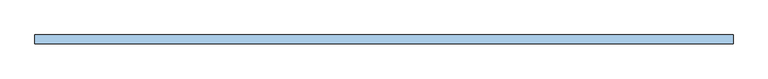
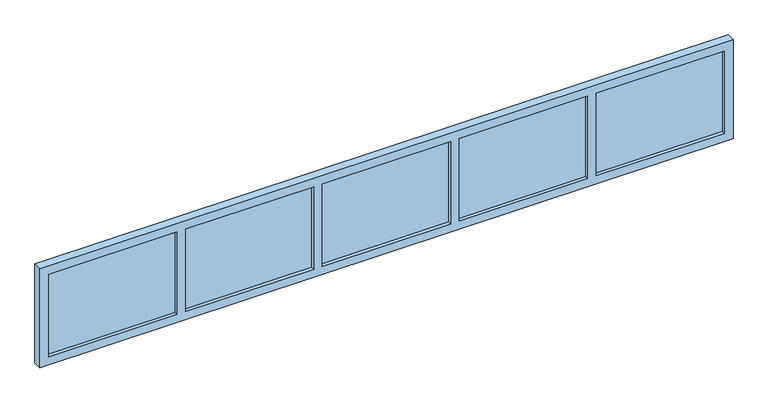
"""IFC4 building model written with IfcOpenShell, lengths in millimetres: window geometry."""

from ifc_helpers import new_model, si_unit, frame, origin, place, context, project, spatial, polyline, outline, extrude, source, transform, mapped, element, save


def window_c952e755(model_context):
    return source(origin(), model_context, "Body", "SweptSolid", [
        extrude(outline(polyline([(800.0, 1987.5), (1400.0, 1987.5), (1400.0, -1987.5), (800.0, -1987.5), (800.0, 1987.5)]), holes=[polyline([(1350.0, -1202.5), (850.0, -1202.5), (850.0, -1937.5), (1350.0, -1937.5), (1350.0, -1202.5)]), polyline([(850.0, 1937.5), (850.0, 1202.5), (1350.0, 1202.5), (1350.0, 1937.5), (850.0, 1937.5)]), polyline([(1350.0, 1152.5), (850.0, 1152.5), (850.0, 417.5), (1350.0, 417.5), (1350.0, 1152.5)]), polyline([(850.0, 367.5), (850.0, -367.5), (1350.0, -367.5), (1350.0, 367.5), (850.0, 367.5)]), polyline([(1350.0, -417.5), (850.0, -417.5), (850.0, -1152.5), (1350.0, -1152.5), (1350.0, -417.5)])]), frame((0.0, -125.0, 0.0), z_axis=(0.0, 1.0, 0.0), x_axis=(0.0, 0.0, 1.0)), (0.0, 0.0, 1.0), 50.0),
        extrude(outline(polyline([(367.5, -105.0), (-367.5, -105.0), (-367.5, -95.0), (367.5, -95.0), (367.5, -105.0)])), frame((0.0, 0.0, 850.0), z_axis=(0.0, 0.0, 1.0), x_axis=(1.0, 0.0, 0.0)), (0.0, 0.0, 1.0), 500.0),
        extrude(outline(polyline([(1937.5, -105.0), (1202.5, -105.0), (1202.5, -95.0), (1937.5, -95.0), (1937.5, -105.0)])), frame((0.0, 0.0, 850.0), z_axis=(0.0, 0.0, 1.0), x_axis=(1.0, 0.0, 0.0)), (0.0, 0.0, 1.0), 500.0),
        extrude(outline(polyline([(-1202.5, -105.0), (-1937.5, -105.0), (-1937.5, -95.0), (-1202.5, -95.0), (-1202.5, -105.0)])), frame((0.0, 0.0, 850.0), z_axis=(0.0, 0.0, 1.0), x_axis=(1.0, 0.0, 0.0)), (0.0, 0.0, 1.0), 500.0),
        extrude(outline(polyline([(-417.5, -105.0), (-1152.5, -105.0), (-1152.5, -95.0), (-417.5, -95.0), (-417.5, -105.0)])), frame((0.0, 0.0, 850.0), z_axis=(0.0, 0.0, 1.0), x_axis=(1.0, 0.0, 0.0)), (0.0, 0.0, 1.0), 500.0),
        extrude(outline(polyline([(1152.5, -105.0), (417.5, -105.0), (417.5, -95.0), (1152.5, -95.0), (1152.5, -105.0)])), frame((0.0, 0.0, 850.0), z_axis=(0.0, 0.0, 1.0), x_axis=(1.0, 0.0, 0.0)), (0.0, 0.0, 1.0), 500.0),
    ])


if __name__ == "__main__":
    model = new_model("IFC4")
    model_context = context("Model", 3, world=origin())
    ifc_project = project(units=[si_unit("LENGTHUNIT", "METRE", prefix="MILLI")], contexts=[model_context])
    site = spatial("IfcSite", under=ifc_project)
    building = spatial("IfcBuilding", under=site)
    placement = place(None, origin())
    window_shape = window_c952e755(model_context)
    element("IfcWindow", 1, at=placement, inside=building, context=model_context, shape_type="MappedRepresentation", body=[
        mapped(window_shape, transform((0.0, 0.0, 0.0), x_axis=(1.0, 0.0, 0.0), y_axis=(0.0, 1.0, 0.0), z_axis=(0.0, 0.0, 1.0))),
    ])
    save(model, "model.ifc")
